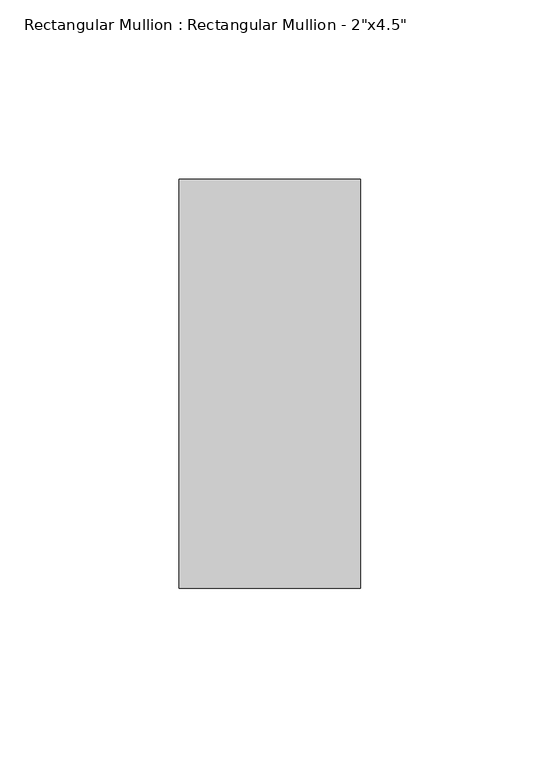
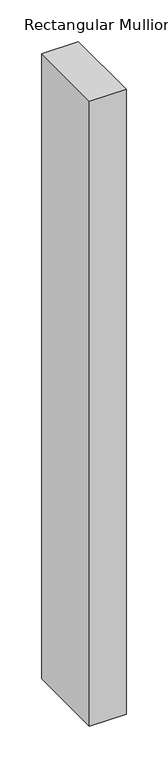
"""IFC4 building model written with IfcOpenShell, lengths in millimetres: member geometry."""

from ifc_helpers import new_model, si_unit, frame, origin, place, context, project, spatial, polyline, outline, extrude, source, transform, mapped, element, save


def member_edcb246c(model_context):
    return source(origin(), model_context, "Body", "SweptSolid", [
        extrude(outline(polyline([(0.0, 57.15), (0.0, -57.15), (-50.8, -57.15), (-50.8, 57.15), (0.0, 57.15)])), frame((0.0, 0.0, -914.4), z_axis=(0.0, 0.0, 1.0), x_axis=(1.0, 0.0, 0.0)), (0.0, 0.0, 1.0), 914.4),
    ])


if __name__ == "__main__":
    model = new_model("IFC4")
    model_context = context("Model", 3, world=origin())
    ifc_project = project(units=[si_unit("LENGTHUNIT", "METRE", prefix="MILLI")], contexts=[model_context])
    site = spatial("IfcSite", under=ifc_project)
    building = spatial("IfcBuilding", under=site)
    placement = place(None, origin())
    member_shape = member_edcb246c(model_context)
    element("IfcMember", 1, ObjectType="Rectangular Mullion : Rectangular Mullion - 2\"x4.5\"", at=placement, inside=building, context=model_context, shape_type="MappedRepresentation", body=[
        mapped(member_shape, transform((0.0, 0.0, 0.0), x_axis=(1.0, 0.0, 0.0), y_axis=(0.0, 1.0, 0.0), z_axis=(0.0, 0.0, 1.0))),
    ])
    save(model, "model.ifc")
